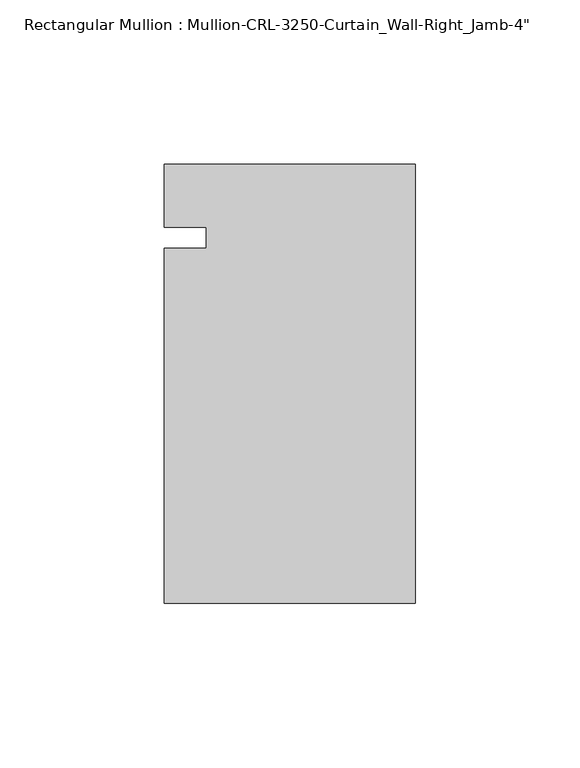
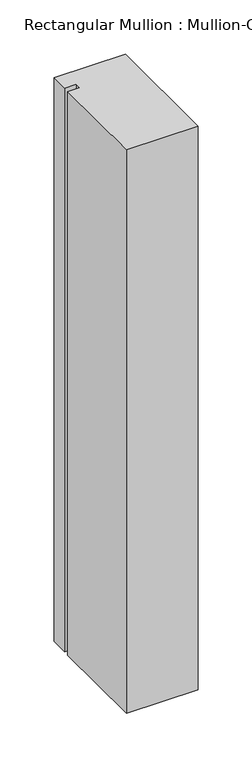
"""IFC4 building model written with IfcOpenShell, lengths in millimetres: member geometry."""

from ifc_helpers import new_model, si_unit, frame, origin, place, context, project, spatial, polyline, outline, extrude, source, transform, mapped, element, save


def member_b509dcfe(model_context):
    return source(origin(), model_context, "Body", "SweptSolid", [
        extrude(outline(polyline([(0.0, 22.2254168), (0.0, -111.1245832), (-76.199997, -111.1245832), (-76.199997, -3.175), (-63.499997, -3.175), (-63.499997, 3.175), (-76.199997, 3.175), (-76.199997, 22.2254168), (0.0, 22.2254168)])), frame((0.0, 0.0, -635.0), z_axis=(0.0, 0.0, 1.0), x_axis=(1.0, 0.0, 0.0)), (0.0, 0.0, 1.0), 635.0),
    ])


if __name__ == "__main__":
    model = new_model("IFC4")
    model_context = context("Model", 3, world=origin())
    ifc_project = project(units=[si_unit("LENGTHUNIT", "METRE", prefix="MILLI")], contexts=[model_context])
    site = spatial("IfcSite", under=ifc_project)
    building = spatial("IfcBuilding", under=site)
    placement = place(None, origin())
    member_shape = member_b509dcfe(model_context)
    element("IfcMember", 1, ObjectType="Rectangular Mullion : Mullion-CRL-3250-Curtain_Wall-Right_Jamb-4\"", at=placement, inside=building, context=model_context, shape_type="MappedRepresentation", body=[
        mapped(member_shape, transform((0.0, 0.0, 0.0), x_axis=(1.0, 0.0, 0.0), y_axis=(0.0, 1.0, 0.0), z_axis=(0.0, 0.0, 1.0))),
    ])
    save(model, "model.ifc")
